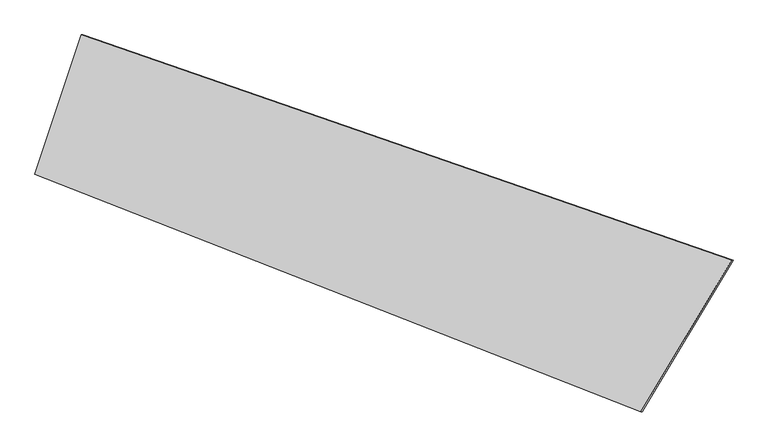
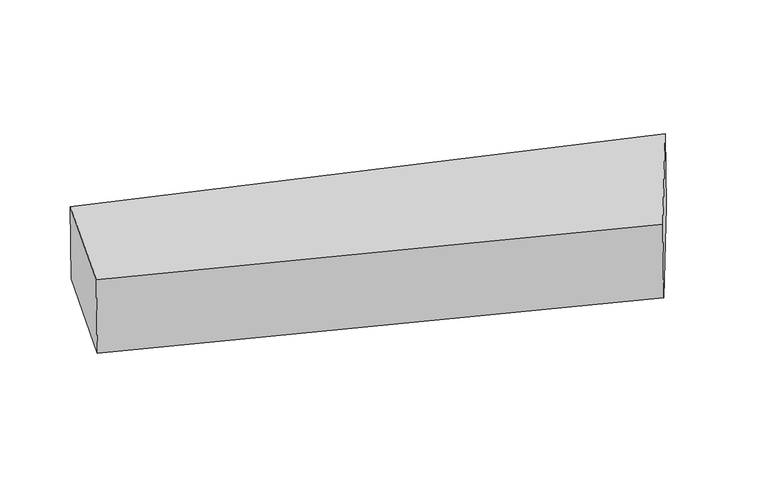
"""IFC4 building model written with IfcOpenShell, lengths in millimetres: proxy geometry."""

import ifcopenshell
import ifcopenshell.guid

model = None  # the IFC model being written
_history = None  # IfcOwnerHistory: only IFC2X3 demands one
_inside = {}  # id of a spatial element -> (the spatial element, [elements in it])
_under = {}  # id of a project, library or spatial element -> (it, [spatial elements below it])
_declared = {}  # id of a project -> (the project, [libraries it declares])
_typed = {}  # id of a type object -> (the type object, [elements of that type])
_made_of = {}  # id of a material, layer set ... -> (it, [elements and type objects made of it])


def new_model(schema):
    """Start an empty IFC model of exactly this schema.

    Asked for "IFC4X3", IfcOpenShell would pick the latest addendum, in which some entities
    have other attributes; the version numbers below select the first issue.
    IFC2X3 requires an IfcOwnerHistory on every rooted entity: one is made here for all.
    """
    global model, _history
    if schema == "IFC4X3":
        model = ifcopenshell.file(schema_version=(4, 3, 0, 0))
    else:
        model = ifcopenshell.file(schema=schema)
    _inside.clear()
    _under.clear()
    _declared.clear()
    _typed.clear()
    _made_of.clear()
    _history = None
    if model.schema == "IFC2X3":
        org = make("IfcOrganization", Name="unknown")
        user = make(
            "IfcPersonAndOrganization",
            ThePerson=make("IfcPerson", FamilyName="unknown"),
            TheOrganization=org,
        )
        app = make(
            "IfcApplication",
            ApplicationDeveloper=org,
            Version="unknown",
            ApplicationFullName="unknown",
            ApplicationIdentifier="unknown",
        )
        _history = make(
            "IfcOwnerHistory",
            OwningUser=user,
            OwningApplication=app,
            ChangeAction="ADDED",
            CreationDate=0,
        )
    return model


def make(cls, **values):
    """One entity of the class cls with the attributes given. An attribute that is None is left unset."""
    return model.create_entity(
        cls, **{name: value for name, value in values.items() if value is not None}
    )


def rooted(cls, **values):
    """An entity with a GlobalId (a new one), such as an element, a storey or a relation."""
    return make(cls, GlobalId=ifcopenshell.guid.new(), OwnerHistory=_history, **values)


def si_unit(unit_type, name, prefix=None):
    """IfcSIUnit, for example si_unit("LENGTHUNIT", "METRE", prefix="MILLI")."""
    return make("IfcSIUnit", UnitType=unit_type, Prefix=prefix, Name=name)


def assignment(units):
    """IfcUnitAssignment: the units of a project."""
    return None if units is None else make("IfcUnitAssignment", Units=units)


def point(xyz):
    """IfcCartesianPoint."""
    return None if xyz is None else make("IfcCartesianPoint", Coordinates=xyz)


def direction(xyz):
    """IfcDirection."""
    return None if xyz is None else make("IfcDirection", DirectionRatios=xyz)


def frame(location, z_axis=None, x_axis=None):
    """IfcAxis2Placement3D, a coordinate frame: its origin and axes. An axis left out is left unset."""
    return make(
        "IfcAxis2Placement3D",
        Location=point(location),
        Axis=direction(z_axis),
        RefDirection=direction(x_axis),
    )


def origin():
    """The frame at (0, 0, 0) with its axes left unset."""
    return frame((0.0, 0.0, 0.0))


def place(relative_to, where):
    """IfcLocalPlacement: puts the frame where relative to a parent placement (None: the world)."""
    return make(
        "IfcLocalPlacement", PlacementRelTo=relative_to, RelativePlacement=where
    )


def context(
    kind, dimensions, precision=None, world=None, true_north=None, identifier=None
):
    """IfcGeometricRepresentationContext, for example the 3D "Model" context."""
    return make(
        "IfcGeometricRepresentationContext",
        ContextIdentifier=identifier,
        ContextType=kind,
        CoordinateSpaceDimension=dimensions,
        Precision=precision,
        WorldCoordinateSystem=world,
        TrueNorth=true_north,
    )


def project(units=None, contexts=None):
    """IfcProject with its units and contexts."""
    return rooted(
        "IfcProject",
        Name="project",
        RepresentationContexts=contexts,
        UnitsInContext=assignment(units),
    )


def spatial(cls, under=None, at=None, **own):
    """A site, building, storey or space (cls), placed at a placement, below another one or the project."""
    s = rooted(cls, ObjectPlacement=at, **own)
    if under is not None:
        _under.setdefault(under.id(), (under, []))[1].append(s)
    return s


def shape(context_of_items, identifier, shape_type, items):
    """IfcShapeRepresentation: the items that make up one representation, for example the "Body"."""
    return make(
        "IfcShapeRepresentation",
        ContextOfItems=context_of_items,
        RepresentationIdentifier=identifier,
        RepresentationType=shape_type,
        Items=items,
    )


def source(mapping_origin, context_of_items, identifier, shape_type, items):
    """IfcRepresentationMap: a shape defined once, which mapped items show again and again."""
    return make(
        "IfcRepresentationMap",
        MappingOrigin=mapping_origin,
        MappedRepresentation=shape(context_of_items, identifier, shape_type, items),
    )


def transform(
    local_origin,
    x_axis=None,
    y_axis=None,
    z_axis=None,
    scale=None,
    scale2=None,
    scale3=None,
    uniform=True,
):
    """IfcCartesianTransformationOperator3D, or its non-uniform kind. x_axis, y_axis, z_axis: its Axis1, 2, 3."""
    if uniform:
        return make(
            "IfcCartesianTransformationOperator3D",
            Axis1=direction(x_axis),
            Axis2=direction(y_axis),
            LocalOrigin=point(local_origin),
            Scale=scale,
            Axis3=direction(z_axis),
        )
    return make(
        "IfcCartesianTransformationOperator3DnonUniform",
        Axis1=direction(x_axis),
        Axis2=direction(y_axis),
        LocalOrigin=point(local_origin),
        Scale=scale,
        Axis3=direction(z_axis),
        Scale2=scale2,
        Scale3=scale3,
    )


def mapped(mapping_source, mapping_target):
    """IfcMappedItem: shows the shape of a source again, moved by a transform."""
    return make(
        "IfcMappedItem", MappingSource=mapping_source, MappingTarget=mapping_target
    )


def made_of(thing, what):
    """Note that an element or type object is made of a material, layer set ...; save() writes the relation."""
    if what is not None:
        _made_of.setdefault(what.id(), (what, []))[1].append(thing)
    return thing


def element(
    cls,
    number,
    at=None,
    inside=None,
    cuts=None,
    type_object=None,
    material=None,
    context=None,
    identifier="Body",
    shape_type=None,
    held_by="IfcProductDefinitionShape",
    body=None,
    shapes=None,
    **own,
):
    """One element of the class cls, such as IfcWall. Its Tag is "e" and its number.

    at: its placement. inside: the storey or other place that contains it. cuts: it is an
    opening in that element (IfcRelVoidsElement). A single representation is given by context,
    identifier, shape_type and body (its items); several are given by shapes. held_by: the class
    of the entity that holds the representations. save() writes the other relations.
    """
    e = rooted(cls, Tag="e%d" % number, ObjectPlacement=at, **own)
    if body is not None:
        shapes = [shape(context, identifier, shape_type, body)]
    if shapes is not None:
        e.Representation = make(held_by, Representations=shapes)
    if inside is not None:
        _inside.setdefault(inside.id(), (inside, []))[1].append(e)
    if cuts is not None:
        rooted(
            "IfcRelVoidsElement", RelatingBuildingElement=cuts, RelatedOpeningElement=e
        )
    if type_object is not None:
        _typed.setdefault(type_object.id(), (type_object, []))[1].append(e)
    return made_of(e, material)


def aggregate(whole, parts):
    """IfcRelAggregates: a whole, such as a stair, and the parts it consists of."""
    return rooted("IfcRelAggregates", RelatingObject=whole, RelatedObjects=parts)


def save(model, path):
    """Write the relations noted so far, then the file.

    IfcRelAggregates (storeys below a building ...), IfcRelContainedInSpatialStructure (elements
    in a storey), IfcRelDefinesByType, IfcRelAssociatesMaterial and IfcRelDeclares: one each for
    every whole, place, type object, material and project.
    """
    for whole, parts in _under.values():
        aggregate(whole, parts)
    for where, things in _inside.values():
        rooted(
            "IfcRelContainedInSpatialStructure",
            RelatedElements=things,
            RelatingStructure=where,
        )
    for kind, things in _typed.values():
        rooted("IfcRelDefinesByType", RelatedObjects=things, RelatingType=kind)
    for what, things in _made_of.values():
        rooted("IfcRelAssociatesMaterial", RelatedObjects=things, RelatingMaterial=what)
    for by, libraries in _declared.values():
        rooted("IfcRelDeclares", RelatingContext=by, RelatedDefinitions=libraries)
    model.write(path)


def plane_surface(at):
    """IfcPlane: the flat surface through the origin of the frame at, square to its z axis."""
    return make("IfcPlane", Position=at)


def spline_surface(u_degree, v_degree, points, u_multiplicities, v_multiplicities, u_knots, v_knots, weights=None):
    """IfcBSplineSurfaceWithKnots; with weights, IfcRationalBSplineSurfaceWithKnots. points: one row for each step in u."""
    own = dict(
        UDegree=u_degree,
        VDegree=v_degree,
        ControlPointsList=[[point(p) for p in row] for row in points],
        SurfaceForm="UNSPECIFIED",
        UClosed=False,
        VClosed=False,
        SelfIntersect=False,
        UMultiplicities=u_multiplicities,
        VMultiplicities=v_multiplicities,
        UKnots=u_knots,
        VKnots=v_knots,
        KnotSpec="UNSPECIFIED",
    )
    if weights is None:
        return make("IfcBSplineSurfaceWithKnots", **own)
    return make("IfcRationalBSplineSurfaceWithKnots", WeightsData=weights, **own)


def advanced_brep(points, edges, surfaces, faces):
    """IfcAdvancedBrep: a solid bounded by faces that lie on surfaces and meet in shared edges.

    An edge is (start, end): straight between two places in points (the first is 0);
    or (start, end, curve); or (start, end, curve, False) where it runs against its curve.
    A face is (place in surfaces, loops), or (place, loops, False) where it looks against
    its surface's normal. A loop lists edges by number (the first is 1), with a minus sign
    where the edge is run from its end to its start. The first loop is the outer one.
    """
    corners = [point(p) for p in points]
    vertices = [make("IfcVertexPoint", VertexGeometry=c) for c in corners]
    made = []
    for start, end, *more in edges:
        made.append(
            make(
                "IfcEdgeCurve",
                EdgeStart=vertices[start],
                EdgeEnd=vertices[end],
                EdgeGeometry=more[0] if more else make("IfcPolyline", Points=[corners[start], corners[end]]),
                SameSense=more[1] if len(more) > 1 else True,
            )
        )
    hull = []
    for where, loops, *sense in faces:
        bounds = []
        for j, loop in enumerate(loops):
            ring = [make("IfcOrientedEdge", EdgeElement=made[abs(k) - 1], Orientation=k > 0) for k in loop]
            bounds.append(
                make(
                    "IfcFaceOuterBound" if j == 0 else "IfcFaceBound",
                    Bound=make("IfcEdgeLoop", EdgeList=ring),
                    Orientation=True,
                )
            )
        hull.append(make("IfcAdvancedFace", Bounds=bounds, FaceSurface=surfaces[where], SameSense=sense[0] if sense else True))
    return make("IfcAdvancedBrep", Outer=make("IfcClosedShell", CfsFaces=hull))


def generic_models_731326db(model_context):
    return source(origin(), model_context, "Body", "AdvancedBrep", [
        advanced_brep(
        [(3091.2492608, 588.2651544, -360.4942082), (3080.765697, 588.2651544, 325.2879815), (7509.8802965, -947.4059811, 392.9959302), (7520.3638602, -947.4059811, -292.7862596), (2764.3112982, -360.9575063, 320.4503378), (6892.2417725, -1979.901667, 383.5540798), (2775.0109598, -360.9575063, -379.467884), (6902.941434, -1979.901667, -316.364142)],
        [
            (0, 1),
            (1, 2),
            (2, 3),
            (3, 0),
            (1, 4),
            (4, 5),
            (5, 2),
            (4, 6),
            (6, 7),
            (7, 5),
            (6, 0),
            (3, 7),
        ],
        [
            plane_surface(frame((3086.0074789, 588.2651544, -17.6031134), z_axis=(0.3275173905829855, 0.9448318851424814, 0.005006763806810687), x_axis=(-0.015285230741162193, 0.0, 0.9998831740364419))),
            plane_surface(frame((2922.5384976, 113.6538241, 322.8691597), z_axis=(-0.015285230741162713, 0.0, 0.9998831740364418), x_axis=(-0.513343436611446, -0.8581473841909975, -0.007847489668609368))),
            plane_surface(frame((2769.661129, -360.9575063, -29.5087731), z_axis=(-0.3650368171630928, -0.9309763595819941, -0.005580323906074775), x_axis=(0.015285230741161681, 0.0, -0.9998831740364419))),
            spline_surface(1, 1, [[(2775.0109598, -360.9575063, -379.467884), (6902.941434, -1979.901667, -316.364142)], [(3091.2492608, 588.2651544, -360.4942082), (7520.3638602, -947.4059811, -292.7862596)]], [2, 2], [2, 2], [0.0, 1.0], [0.0, 1.0]),
            plane_surface(frame((7206.3568408, -1463.6538241, 41.8499021), z_axis=(0.8580471302959645, -0.5134034154601512, 0.013116980777283955), x_axis=(-0.015285230741162193, 0.0, 0.9998831740364419))),
            plane_surface(frame((2927.834304, 113.6538241, -23.5559432), z_axis=(-0.9485473362172823, 0.3163031578182996, -0.014500458933083053), x_axis=(-0.31601869330107374, -0.9485634849258059, -0.018960499721590827))),
        ],
        [
            (0, [[1, 2, 3, 4]]),
            (1, [[5, 6, 7, -2]]),
            (2, [[8, 9, 10, -6]]),
            (3, [[11, -4, 12, -9]]),
            (4, [[-3, -7, -10, -12]]),
            (5, [[-11, -8, -5, -1]]),
        ],
    ),
    ])


if __name__ == "__main__":
    model = new_model("IFC4")
    model_context = context("Model", 3, world=origin())
    ifc_project = project(units=[si_unit("LENGTHUNIT", "METRE", prefix="MILLI")], contexts=[model_context])
    site = spatial("IfcSite", under=ifc_project)
    building = spatial("IfcBuilding", under=site)
    placement = place(None, origin())
    generic_models_shape = generic_models_731326db(model_context)
    element("IfcBuildingElementProxy", 1, Name="Generic Models", at=placement, inside=building, context=model_context, shape_type="MappedRepresentation", body=[
        mapped(generic_models_shape, transform((0.0, 0.0, 0.0), x_axis=(1.0, 0.0, 0.0), y_axis=(0.0, 1.0, 0.0), z_axis=(0.0, 0.0, 1.0))),
    ])
    save(model, "model.ifc")
